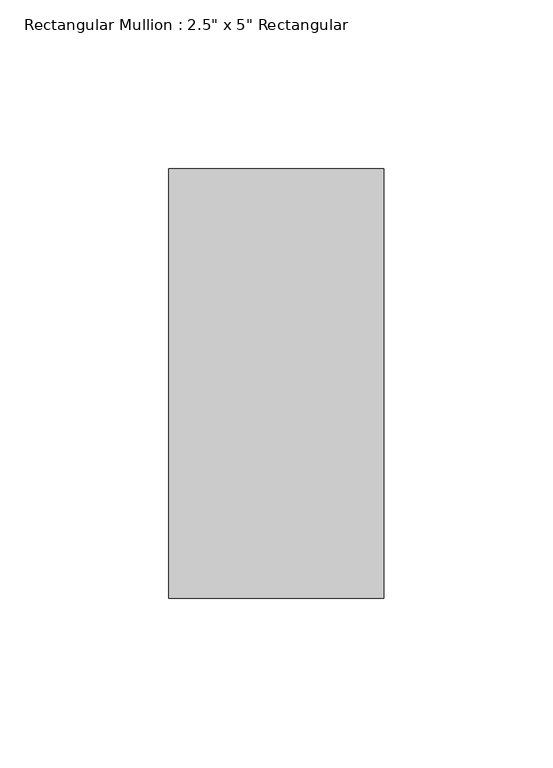
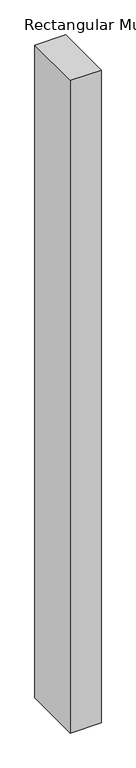
"""IFC4 building model written with IfcOpenShell, lengths in millimetres: member geometry."""

from ifc_helpers import new_model, si_unit, frame, origin, place, context, project, spatial, polyline, outline, extrude, source, transform, mapped, element, save


def member_26d67f61(model_context):
    return source(origin(), model_context, "Body", "SweptSolid", [
        extrude(outline(polyline([(0.0, 63.5), (0.0, -63.5), (-63.5, -63.5), (-63.5, 63.5), (0.0, 63.5)])), frame((0.0, 0.0, -1428.75), z_axis=(0.0, 0.0, 1.0), x_axis=(1.0, 0.0, 0.0)), (0.0, 0.0, 1.0), 1428.75),
    ])


if __name__ == "__main__":
    model = new_model("IFC4")
    model_context = context("Model", 3, world=origin())
    ifc_project = project(units=[si_unit("LENGTHUNIT", "METRE", prefix="MILLI")], contexts=[model_context])
    site = spatial("IfcSite", under=ifc_project)
    building = spatial("IfcBuilding", under=site)
    placement = place(None, origin())
    member_shape = member_26d67f61(model_context)
    element("IfcMember", 1, ObjectType="Rectangular Mullion : 2.5\" x 5\" Rectangular", at=placement, inside=building, context=model_context, shape_type="MappedRepresentation", body=[
        mapped(member_shape, transform((0.0, 0.0, 0.0), x_axis=(1.0, 0.0, 0.0), y_axis=(0.0, 1.0, 0.0), z_axis=(0.0, 0.0, 1.0))),
    ])
    save(model, "model.ifc")
